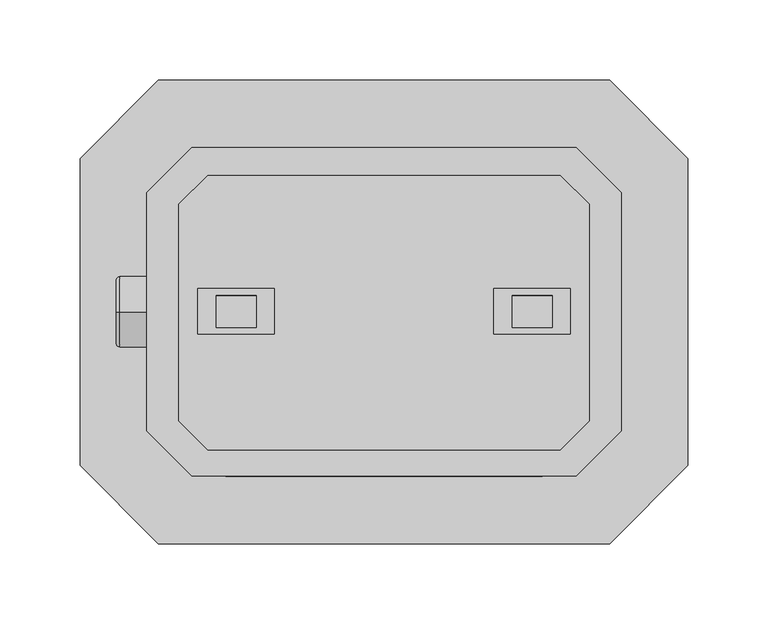
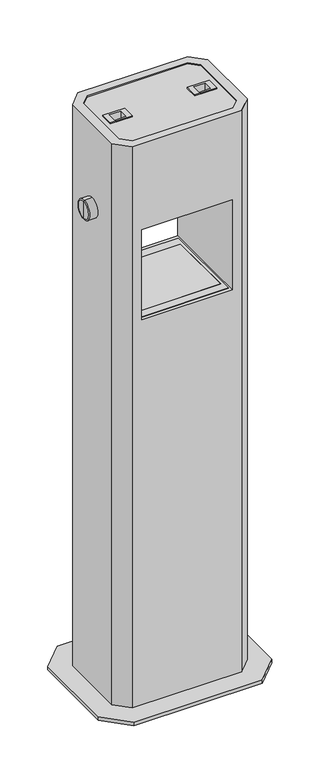
"""IFC4 building model written with IfcOpenShell, lengths in millimetres: furniture geometry."""

from ifc_helpers import new_model, si_unit, point, frame, origin, origin_with_axes, place, context, project, spatial, polyline, circle_curve, ellipse_curve, trimmed, outline, extrude, faceted_brep, source, transform, mapped, element, save
from ifc_brep_helpers import plane_surface, cylinder_surface, revolved_surface, advanced_brep


def furniture_28afd4b9(model_context):
    return source(origin(), model_context, "Body", "SolidModel", [
        extrude(outline(polyline([(-83.5622849, 75.6503237), (88.6189002, 75.6503237), (88.6189002, -76.5768869), (-83.5622849, -76.5768869), (-83.5622849, 75.6503237)])), frame((0.0, 0.0, 900.0000069), z_axis=(0.0, 0.0, 1.0), x_axis=(1.0, 0.0, 0.0)), (0.0, 0.0, 1.0), 1.0000116),
        advanced_brep(
        [(-165.3001701, 0.0, 1094.0372183), (-165.3001701, 0.0, 1137.9628075), (-148.2692202, 0.0, 1137.9628075), (-148.2692202, 0.0, 1094.0372183), (-167.299999, 0.0, 1096.0370471), (-167.299999, 0.0, 1135.9629786), (-167.299999, 0.0, 1116.0000129), (-148.2692202, 0.0, 1116.0000129)],
        [
            (0, 1, circle_curve(frame((-165.3001701, 0.0, 1116.0000129), z_axis=(1.0, 0.0, 0.0), x_axis=(0.0, 0.0, 1.0)), 21.9627946)),
            (1, 2),
            (2, 3, circle_curve(frame((-148.2692202, 0.0, 1116.0000129), z_axis=(-1.0, 0.0, 0.0), x_axis=(0.0, 0.0, 1.0)), 21.9627946)),
            (3, 0),
            (1, 0, circle_curve(frame((-165.3001701, 0.0, 1116.0000129), z_axis=(1.0, 0.0, 0.0), x_axis=(0.0, 0.0, 1.0)), 21.9627946)),
            (3, 2, circle_curve(frame((-148.2692202, 0.0, 1116.0000129), z_axis=(-1.0, 0.0, 0.0), x_axis=(0.0, 0.0, 1.0)), 21.9627946)),
            (4, 5, circle_curve(frame((-167.299999, 0.0, 1116.0000129), z_axis=(1.0, 0.0, 0.0), x_axis=(0.0, 0.0, 1.0)), 19.9629657)),
            (5, 1, circle_curve(frame((-165.3001701, 0.0, 1135.9629786), z_axis=(0.0, 1.0, 0.0), x_axis=(1.0, 0.0, 0.0)), 1.9998289)),
            (0, 4, circle_curve(frame((-165.3001701, 0.0, 1096.0370471), z_axis=(0.0, 1.0, 0.0), x_axis=(1.0, 0.0, 0.0)), 1.9998289)),
            (5, 4, circle_curve(frame((-167.299999, 0.0, 1116.0000129), z_axis=(1.0, 0.0, 0.0), x_axis=(0.0, 0.0, 1.0)), 19.9629657)),
            (6, 5),
            (4, 6),
            (2, 7),
            (7, 3),
        ],
        [
            cylinder_surface(frame((-183.9752611, 0.0, 1116.0000129), z_axis=(-1.0, 0.0, 0.0), x_axis=(0.0, 0.0, 1.0)), 21.9627946),
            revolved_surface(trimmed(ellipse_curve(frame((-165.3001701, 0.0, 1135.9629786), z_axis=(0.0, -1.0, 0.0), x_axis=(1.0, 0.0, 0.0)), 1.9998289, 1.9998289), [point((-165.3001701, 0.0, 1137.9628075))], [point((-167.299999, 0.0, 1135.9629786))], True, "CARTESIAN"), (-183.9752611, 0.0, 1116.0000129), (-1.0, 0.0, 0.0)),
            plane_surface(frame((-167.299999, 0.0, 1116.0000129), z_axis=(-1.0, 0.0, 0.0), x_axis=(0.0, 0.0, 1.0))),
            plane_surface(frame((-148.2692202, 0.0, 1116.0000129), z_axis=(1.0, 0.0, 0.0), x_axis=(0.0, 0.0, 1.0))),
        ],
        [
            (0, [[1, 2, 3, 4]]),
            (0, [[5, -4, 6, -2]]),
            (1, [[7, 8, -1, 9]]),
            (1, [[10, -9, -5, -8]]),
            (2, [[11, -7, 12]]),
            (2, [[-12, -10, -11]]),
            (3, [[-3, 13, 14]]),
            (3, [[-6, -14, -13]]),
        ],
    ),
        faceted_brep([(79.9999997, 10.0000028, 1288.0000156), (79.9999997, -10.0000028, 1288.0000156), (104.9999999, -10.0000028, 1288.0000156), (104.9999999, 10.0000028, 1288.0000156), (-79.9999997, 10.0000028, 1288.0000156), (-104.9999999, 10.0000028, 1288.0000156), (-104.9999999, -10.0000028, 1288.0000156), (-79.9999997, -10.0000028, 1288.0000156), (79.9999997, 10.0000028, 1307.9999577), (79.9999997, -10.0000028, 1307.9999577), (104.9999999, -10.0000028, 1307.9999577), (104.9999999, 10.0000028, 1307.9999577), (-79.9999997, 10.0000028, 1307.9999577), (-104.9999999, 10.0000028, 1307.9999577), (-104.9999999, -10.0000028, 1307.9999577), (-79.9999997, -10.0000028, 1307.9999577), (-68.5000022, 14.5000007, 1307.9999577), (-116.4999974, 14.5000007, 1307.9999577), (-116.4999974, -14.0000039, 1307.9999577), (-68.5000022, -14.0000039, 1307.9999577), (68.5000022, 14.5000007, 1307.9999577), (68.5000022, -14.0000039, 1307.9999577), (116.4999974, -14.0000039, 1307.9999577), (116.4999974, 14.5000007, 1307.9999577), (-68.5000022, 14.5000007, 1305.4999649), (-116.4999974, 14.5000007, 1305.4999649), (-116.4999974, -14.0000039, 1305.4999649), (-68.5000022, -14.0000039, 1305.4999649), (68.5000022, 14.5000007, 1305.4999649), (68.5000022, -14.0000039, 1305.4999649), (116.4999974, -14.0000039, 1305.4999649), (116.4999974, 14.5000007, 1305.4999649), (-148.2692202, -74.5150465, 1307.9999577), (-120.0150536, -102.7692131, 1307.9999577), (120.0150536, -102.7692131, 1307.9999577), (148.2692202, -74.5150465, 1307.9999577), (148.2692202, 74.5150465, 1307.9999577), (120.0150536, 102.7692131, 1307.9999577), (-120.0150536, 102.7692131, 1307.9999577), (-148.2692202, 74.5150465, 1307.9999577), (-128.3307797, -68.2355288, 1307.9999577), (-128.3307797, 67.2055408, 1307.9999577), (-110.26633, 85.2699905, 1307.9999577), (110.2355451, 85.2699905, 1307.9999577), (128.300013, 67.2055227, 1307.9999577), (128.300013, -68.2355334, 1307.9999577), (110.2355451, -86.3000012, 1307.9999577), (-110.2663073, -86.3000012, 1307.9999577), (-148.2692202, -74.5150465, 8.0), (-148.2692202, 74.5150465, 8.0), (-120.0150536, 102.7692131, 8.0), (120.0150536, 102.7692131, 8.0), (148.2692202, 74.5150465, 8.0), (148.2692202, -74.5150465, 8.0), (120.0150536, -102.7692131, 8.0), (-120.0150536, -102.7692131, 8.0), (-99.0000028, -102.7692131, 1108.0000288), (99.0000028, -102.7692131, 1108.0000288), (99.0000028, -102.7692131, 900.0000069), (-99.0000028, -102.7692131, 900.0000069), (99.0000028, 102.7692131, 1108.0000288), (-99.0000028, 102.7692131, 1108.0000288), (-99.0000028, 102.7692131, 900.0000069), (99.0000028, 102.7692131, 900.0000069), (95.0000016, -95.0000016, 900.0000069), (-95.0000016, -95.0000016, 900.0000069), (-95.0000016, 94.9999925, 900.0000069), (95.0000016, 94.9999925, 900.0000069), (-128.3307797, 67.2055408, 1305.4999649), (-128.3307797, -68.2355288, 1305.4999649), (-110.2663073, -86.3000012, 1305.4999649), (110.2355451, -86.3000012, 1305.4999649), (128.300013, -68.2355334, 1305.4999649), (128.300013, 67.2055227, 1305.4999649), (110.2355451, 85.2699905, 1305.4999649), (-110.26633, 85.2699905, 1305.4999649), (109.000001, -95.0000016, 850.0000065), (-109.000001, -95.0000016, 850.0000065), (-109.000001, -95.0000016, 890.0245983), (-95.0000016, -95.0000016, 890.0245983), (95.0000016, -95.0000016, 890.0245983), (109.000001, -95.0000016, 890.0245983), (109.000001, 94.9999925, 850.0000065), (109.000001, 94.9999925, 890.0245983), (95.0000016, 94.9999925, 890.0245983), (-95.0000016, 94.9999925, 890.0245983), (-109.000001, 94.9999925, 890.0245983), (-109.000001, 94.9999925, 850.0000065)], [[[0, 1, 2, 3]], [[4, 5, 6, 7]], [[1, 0, 8, 9]], [[2, 1, 9, 10]], [[3, 2, 10, 11]], [[0, 3, 11, 8]], [[5, 4, 12, 13]], [[6, 5, 13, 14]], [[7, 6, 14, 15]], [[4, 7, 15, 12]], [[16, 17, 18, 19], [13, 12, 15, 14]], [[20, 21, 22, 23], [9, 8, 11, 10]], [[17, 16, 24, 25]], [[18, 17, 25, 26]], [[19, 18, 26, 27]], [[16, 19, 27, 24]], [[21, 20, 28, 29]], [[22, 21, 29, 30]], [[23, 22, 30, 31]], [[20, 23, 31, 28]], [[32, 33, 34, 35, 36, 37, 38, 39], [40, 41, 42, 43, 44, 45, 46, 47]], [[48, 49, 50, 51, 52, 53, 54, 55]], [[33, 32, 48, 55]], [[34, 33, 55, 54], [56, 57, 58, 59]], [[35, 34, 54, 53]], [[36, 35, 53, 52]], [[37, 36, 52, 51]], [[38, 37, 51, 50], [60, 61, 62, 63]], [[39, 38, 50, 49]], [[32, 39, 49, 48]], [[60, 57, 56, 61]], [[61, 56, 59, 62]], [[62, 59, 58, 63], [64, 65, 66, 67]], [[57, 60, 63, 58]], [[68, 69, 70, 71, 72, 73, 74, 75], [25, 24, 27, 26], [29, 28, 31, 30]], [[69, 68, 41, 40]], [[70, 69, 40, 47]], [[71, 70, 47, 46]], [[72, 71, 46, 45]], [[73, 72, 45, 44]], [[74, 73, 44, 43]], [[75, 74, 43, 42]], [[68, 75, 42, 41]], [[76, 77, 78, 79, 65, 64, 80, 81]], [[82, 83, 84, 67, 66, 85, 86, 87]], [[76, 81, 83, 82]], [[81, 80, 84, 83]], [[84, 80, 64, 67]], [[79, 85, 66, 65]], [[79, 78, 86, 85]], [[78, 77, 87, 86]], [[77, 76, 82, 87]]]),
        extrude(outline(polyline([(141.0000009, 144.9999929), (189.9999896, 96.0000042), (189.9999896, -96.0000042), (140.9999918, -145.000002), (-141.0000009, -145.000002), (-189.9999987, -96.0000042), (-189.9999987, 96.0000042), (-141.00001, 144.9999929), (141.0000009, 144.9999929)])), origin_with_axes(), (0.0, 0.0, 1.0), 8.0),
        extrude(outline(polyline([(-95.0000016, 94.9999925), (94.9999925, 94.9999925), (94.9999925, -95.0000016), (-95.0000016, -95.0000016), (-95.0000016, 94.9999925)]), holes=[polyline([(-83.5622849, -76.5768869), (88.6189002, -76.5768869), (88.6189002, 75.6503237), (-83.5622849, 75.6503237), (-83.5622849, -76.5768869)])]), frame((0.0, 0.0, 900.0000069), z_axis=(0.0, 0.0, 1.0), x_axis=(1.0, 0.0, 0.0)), (0.0, 0.0, 1.0), 1.0000116),
    ])


if __name__ == "__main__":
    model = new_model("IFC4")
    model_context = context("Model", 3, world=origin())
    ifc_project = project(units=[si_unit("LENGTHUNIT", "METRE", prefix="MILLI")], contexts=[model_context])
    site = spatial("IfcSite", under=ifc_project)
    building = spatial("IfcBuilding", under=site)
    placement = place(None, origin())
    furniture_shape = furniture_28afd4b9(model_context)
    element("IfcFurniture", 1, at=placement, inside=building, context=model_context, shape_type="MappedRepresentation", body=[
        mapped(furniture_shape, transform((0.0, 0.0, 0.0), x_axis=(1.0, 0.0, 0.0), y_axis=(0.0, 1.0, 0.0), z_axis=(0.0, 0.0, 1.0))),
    ])
    save(model, "model.ifc")
